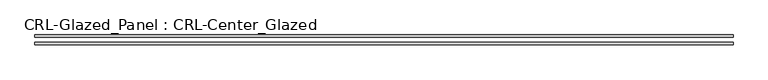
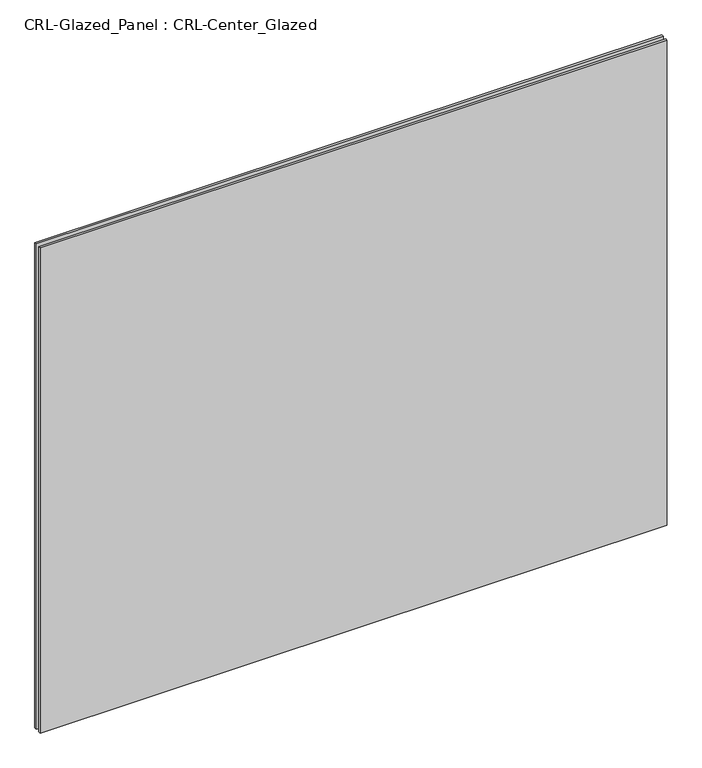
"""IFC4 building model written with IfcOpenShell, lengths in millimetres: plate geometry, CRL-Glazed_Panel : CRL-Center_Glazed."""

import ifcopenshell
import ifcopenshell.guid

model = None  # the IFC model being written
_history = None  # IfcOwnerHistory: only IFC2X3 demands one
_inside = {}  # id of a spatial element -> (the spatial element, [elements in it])
_under = {}  # id of a project, library or spatial element -> (it, [spatial elements below it])
_declared = {}  # id of a project -> (the project, [libraries it declares])
_typed = {}  # id of a type object -> (the type object, [elements of that type])
_made_of = {}  # id of a material, layer set ... -> (it, [elements and type objects made of it])


def new_model(schema):
    """Start an empty IFC model of exactly this schema.

    Asked for "IFC4X3", IfcOpenShell would pick the latest addendum, in which some entities
    have other attributes; the version numbers below select the first issue.
    IFC2X3 requires an IfcOwnerHistory on every rooted entity: one is made here for all.
    """
    global model, _history
    if schema == "IFC4X3":
        model = ifcopenshell.file(schema_version=(4, 3, 0, 0))
    else:
        model = ifcopenshell.file(schema=schema)
    _inside.clear()
    _under.clear()
    _declared.clear()
    _typed.clear()
    _made_of.clear()
    _history = None
    if model.schema == "IFC2X3":
        org = make("IfcOrganization", Name="unknown")
        user = make(
            "IfcPersonAndOrganization",
            ThePerson=make("IfcPerson", FamilyName="unknown"),
            TheOrganization=org,
        )
        app = make(
            "IfcApplication",
            ApplicationDeveloper=org,
            Version="unknown",
            ApplicationFullName="unknown",
            ApplicationIdentifier="unknown",
        )
        _history = make(
            "IfcOwnerHistory",
            OwningUser=user,
            OwningApplication=app,
            ChangeAction="ADDED",
            CreationDate=0,
        )
    return model


def make(cls, **values):
    """One entity of the class cls with the attributes given. An attribute that is None is left unset."""
    return model.create_entity(
        cls, **{name: value for name, value in values.items() if value is not None}
    )


def rooted(cls, **values):
    """An entity with a GlobalId (a new one), such as an element, a storey or a relation."""
    return make(cls, GlobalId=ifcopenshell.guid.new(), OwnerHistory=_history, **values)


def si_unit(unit_type, name, prefix=None):
    """IfcSIUnit, for example si_unit("LENGTHUNIT", "METRE", prefix="MILLI")."""
    return make("IfcSIUnit", UnitType=unit_type, Prefix=prefix, Name=name)


def assignment(units):
    """IfcUnitAssignment: the units of a project."""
    return None if units is None else make("IfcUnitAssignment", Units=units)


def point(xyz):
    """IfcCartesianPoint."""
    return None if xyz is None else make("IfcCartesianPoint", Coordinates=xyz)


def direction(xyz):
    """IfcDirection."""
    return None if xyz is None else make("IfcDirection", DirectionRatios=xyz)


def frame(location, z_axis=None, x_axis=None):
    """IfcAxis2Placement3D, a coordinate frame: its origin and axes. An axis left out is left unset."""
    return make(
        "IfcAxis2Placement3D",
        Location=point(location),
        Axis=direction(z_axis),
        RefDirection=direction(x_axis),
    )


def origin():
    """The frame at (0, 0, 0) with its axes left unset."""
    return frame((0.0, 0.0, 0.0))


def origin_with_axes():
    """The frame at (0, 0, 0) with the z axis (0, 0, 1) and the x axis (1, 0, 0) written out."""
    return frame((0.0, 0.0, 0.0), z_axis=(0.0, 0.0, 1.0), x_axis=(1.0, 0.0, 0.0))


def place(relative_to, where):
    """IfcLocalPlacement: puts the frame where relative to a parent placement (None: the world)."""
    return make(
        "IfcLocalPlacement", PlacementRelTo=relative_to, RelativePlacement=where
    )


def context(
    kind, dimensions, precision=None, world=None, true_north=None, identifier=None
):
    """IfcGeometricRepresentationContext, for example the 3D "Model" context."""
    return make(
        "IfcGeometricRepresentationContext",
        ContextIdentifier=identifier,
        ContextType=kind,
        CoordinateSpaceDimension=dimensions,
        Precision=precision,
        WorldCoordinateSystem=world,
        TrueNorth=true_north,
    )


def project(units=None, contexts=None):
    """IfcProject with its units and contexts."""
    return rooted(
        "IfcProject",
        Name="project",
        RepresentationContexts=contexts,
        UnitsInContext=assignment(units),
    )


def spatial(cls, under=None, at=None, **own):
    """A site, building, storey or space (cls), placed at a placement, below another one or the project."""
    s = rooted(cls, ObjectPlacement=at, **own)
    if under is not None:
        _under.setdefault(under.id(), (under, []))[1].append(s)
    return s


def polyline(points):
    """IfcPolyline through the points."""
    return make("IfcPolyline", Points=[point(p) for p in points])


def outline(outer, holes=None, kind="AREA"):
    """IfcArbitraryClosedProfileDef: a profile drawn as a closed curve; with holes, ...WithVoids."""
    if holes is None:
        return make("IfcArbitraryClosedProfileDef", ProfileType=kind, OuterCurve=outer)
    return make(
        "IfcArbitraryProfileDefWithVoids",
        ProfileType=kind,
        OuterCurve=outer,
        InnerCurves=holes,
    )


def extrude(swept, where, along, depth):
    """IfcExtrudedAreaSolid: the profile swept, set in the frame where, extruded along a direction by depth."""
    return make(
        "IfcExtrudedAreaSolid",
        SweptArea=swept,
        Position=where,
        ExtrudedDirection=direction(along),
        Depth=depth,
    )


def shape(context_of_items, identifier, shape_type, items):
    """IfcShapeRepresentation: the items that make up one representation, for example the "Body"."""
    return make(
        "IfcShapeRepresentation",
        ContextOfItems=context_of_items,
        RepresentationIdentifier=identifier,
        RepresentationType=shape_type,
        Items=items,
    )


def source(mapping_origin, context_of_items, identifier, shape_type, items):
    """IfcRepresentationMap: a shape defined once, which mapped items show again and again."""
    return make(
        "IfcRepresentationMap",
        MappingOrigin=mapping_origin,
        MappedRepresentation=shape(context_of_items, identifier, shape_type, items),
    )


def transform(
    local_origin,
    x_axis=None,
    y_axis=None,
    z_axis=None,
    scale=None,
    scale2=None,
    scale3=None,
    uniform=True,
):
    """IfcCartesianTransformationOperator3D, or its non-uniform kind. x_axis, y_axis, z_axis: its Axis1, 2, 3."""
    if uniform:
        return make(
            "IfcCartesianTransformationOperator3D",
            Axis1=direction(x_axis),
            Axis2=direction(y_axis),
            LocalOrigin=point(local_origin),
            Scale=scale,
            Axis3=direction(z_axis),
        )
    return make(
        "IfcCartesianTransformationOperator3DnonUniform",
        Axis1=direction(x_axis),
        Axis2=direction(y_axis),
        LocalOrigin=point(local_origin),
        Scale=scale,
        Axis3=direction(z_axis),
        Scale2=scale2,
        Scale3=scale3,
    )


def mapped(mapping_source, mapping_target):
    """IfcMappedItem: shows the shape of a source again, moved by a transform."""
    return make(
        "IfcMappedItem", MappingSource=mapping_source, MappingTarget=mapping_target
    )


def made_of(thing, what):
    """Note that an element or type object is made of a material, layer set ...; save() writes the relation."""
    if what is not None:
        _made_of.setdefault(what.id(), (what, []))[1].append(thing)
    return thing


def element(
    cls,
    number,
    at=None,
    inside=None,
    cuts=None,
    type_object=None,
    material=None,
    context=None,
    identifier="Body",
    shape_type=None,
    held_by="IfcProductDefinitionShape",
    body=None,
    shapes=None,
    **own,
):
    """One element of the class cls, such as IfcWall. Its Tag is "e" and its number.

    at: its placement. inside: the storey or other place that contains it. cuts: it is an
    opening in that element (IfcRelVoidsElement). A single representation is given by context,
    identifier, shape_type and body (its items); several are given by shapes. held_by: the class
    of the entity that holds the representations. save() writes the other relations.
    """
    e = rooted(cls, Tag="e%d" % number, ObjectPlacement=at, **own)
    if body is not None:
        shapes = [shape(context, identifier, shape_type, body)]
    if shapes is not None:
        e.Representation = make(held_by, Representations=shapes)
    if inside is not None:
        _inside.setdefault(inside.id(), (inside, []))[1].append(e)
    if cuts is not None:
        rooted(
            "IfcRelVoidsElement", RelatingBuildingElement=cuts, RelatedOpeningElement=e
        )
    if type_object is not None:
        _typed.setdefault(type_object.id(), (type_object, []))[1].append(e)
    return made_of(e, material)


def aggregate(whole, parts):
    """IfcRelAggregates: a whole, such as a stair, and the parts it consists of."""
    return rooted("IfcRelAggregates", RelatingObject=whole, RelatedObjects=parts)


def save(model, path):
    """Write the relations noted so far, then the file.

    IfcRelAggregates (storeys below a building ...), IfcRelContainedInSpatialStructure (elements
    in a storey), IfcRelDefinesByType, IfcRelAssociatesMaterial and IfcRelDeclares: one each for
    every whole, place, type object, material and project.
    """
    for whole, parts in _under.values():
        aggregate(whole, parts)
    for where, things in _inside.values():
        rooted(
            "IfcRelContainedInSpatialStructure",
            RelatedElements=things,
            RelatingStructure=where,
        )
    for kind, things in _typed.values():
        rooted("IfcRelDefinesByType", RelatedObjects=things, RelatingType=kind)
    for what, things in _made_of.values():
        rooted("IfcRelAssociatesMaterial", RelatedObjects=things, RelatingMaterial=what)
    for by, libraries in _declared.values():
        rooted("IfcRelDeclares", RelatingContext=by, RelatedDefinitions=libraries)
    model.write(path)


def crl_glazed_panel_crl_center_glazed_f3badbed(model_context):
    return source(origin(), model_context, "Body", "SweptSolid", [
        extrude(outline(polyline([(887.4125, 12.7), (887.4125, 6.35), (-887.4125, 6.35), (-887.4125, 12.7), (887.4125, 12.7)])), origin_with_axes(), (0.0, 0.0, 1.0), 1451.5591819),
        extrude(outline(polyline([(-887.4125, -6.35), (887.4125, -6.35), (887.4125, -12.7), (-887.4125, -12.7), (-887.4125, -6.35)])), origin_with_axes(), (0.0, 0.0, 1.0), 1451.5591819),
    ])


if __name__ == "__main__":
    model = new_model("IFC4")
    model_context = context("Model", 3, world=origin())
    ifc_project = project(units=[si_unit("LENGTHUNIT", "METRE", prefix="MILLI")], contexts=[model_context])
    site = spatial("IfcSite", under=ifc_project)
    building = spatial("IfcBuilding", under=site)
    placement = place(None, origin())
    crl_glazed_panel_crl_center_glazed_shape = crl_glazed_panel_crl_center_glazed_f3badbed(model_context)
    element("IfcPlate", 1, ObjectType="CRL-Glazed_Panel : CRL-Center_Glazed", at=placement, inside=building, context=model_context, shape_type="MappedRepresentation", body=[
        mapped(crl_glazed_panel_crl_center_glazed_shape, transform((0.0, 0.0, 0.0), x_axis=(1.0, 0.0, 0.0), y_axis=(0.0, 1.0, 0.0), z_axis=(0.0, 0.0, 1.0))),
    ])
    save(model, "model.ifc")
